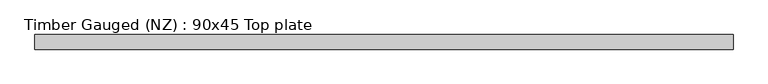
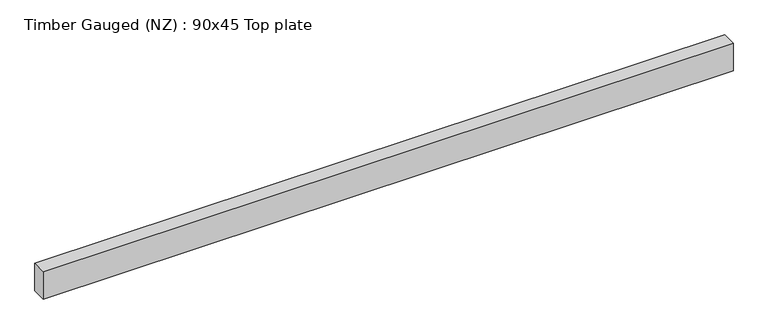
"""IFC4 building model written with IfcOpenShell, lengths in millimetres: beam geometry, Timber Gauged (NZ) : 90x45 Top plate."""

from ifc_helpers import new_model, si_unit, frame, origin, place, context, project, spatial, polyline, outline, extrude, source, transform, mapped, element, save


def timber_gauged_nz_90x45_top_plate_42d72a0c(model_context):
    return source(origin(), model_context, "Body", "SweptSolid", [
        extrude(outline(polyline([(1072.5, 22.5), (1072.5, -22.5), (-1072.5, -22.5), (-1072.5, 22.5), (1072.5, 22.5)])), frame((0.0, 0.0, -45.0), z_axis=(0.0, 0.0, 1.0), x_axis=(1.0, 0.0, 0.0)), (0.0, 0.0, 1.0), 90.0),
    ])


if __name__ == "__main__":
    model = new_model("IFC4")
    model_context = context("Model", 3, world=origin())
    ifc_project = project(units=[si_unit("LENGTHUNIT", "METRE", prefix="MILLI")], contexts=[model_context])
    site = spatial("IfcSite", under=ifc_project)
    building = spatial("IfcBuilding", under=site)
    placement = place(None, origin())
    timber_gauged_nz_90x45_top_plate_shape = timber_gauged_nz_90x45_top_plate_42d72a0c(model_context)
    element("IfcBeam", 1, ObjectType="Timber Gauged (NZ) : 90x45 Top plate", at=placement, inside=building, context=model_context, shape_type="MappedRepresentation", body=[
        mapped(timber_gauged_nz_90x45_top_plate_shape, transform((0.0, 0.0, 0.0), x_axis=(1.0, 0.0, 0.0), y_axis=(0.0, 1.0, 0.0), z_axis=(0.0, 0.0, 1.0))),
    ])
    save(model, "model.ifc")
